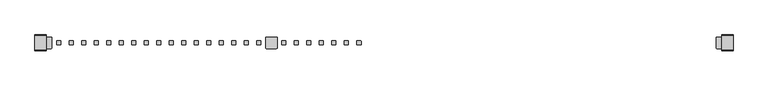
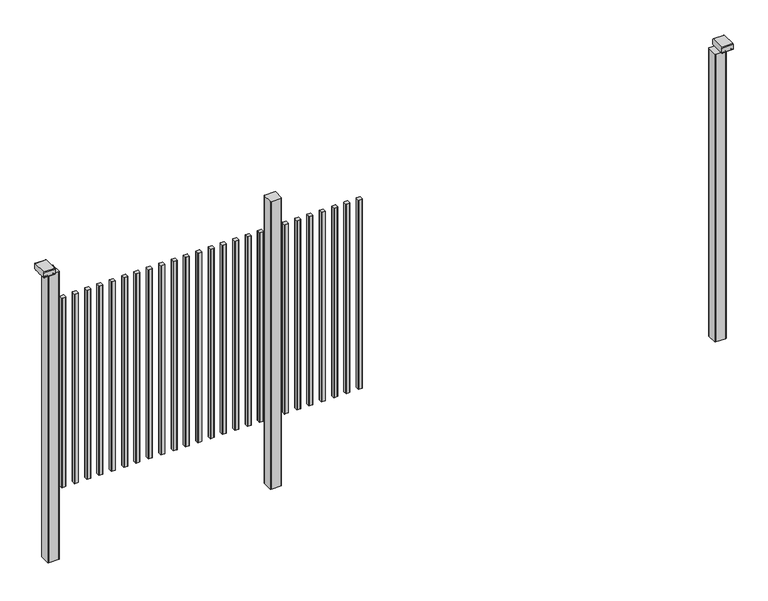
"""IFC4 building model written with IfcOpenShell, lengths in millimetres: railing geometry."""

from ifc_helpers import new_model, si_unit, point, frame, frame_2d, origin, place, context, project, spatial, polyline, circle_curve, trimmed, segment, composite_curve, outline, extrude, source, transform, mapped, element, save


def railing_7267dee2(model_context):
    return source(origin(), model_context, "Body", "SweptSolid", [
        extrude(outline(composite_curve([segment(trimmed(circle_curve(frame_2d((5052.6835799, 7828.4508236)), 1.4), [point((5051.2835799, 7828.4508236))], [point((5052.6835799, 7829.8508236))], False, "CARTESIAN"), True, "CONTINUOUS"), segment(polyline([(5052.6835799, 7829.8508236), (5067.8835829, 7829.8508236)]), True, "CONTINUOUS"), segment(trimmed(circle_curve(frame_2d((5067.8835829, 7828.4508236)), 1.4), [point((5067.8835829, 7829.8508236))], [point((5069.2835829, 7828.4508236))], False, "CARTESIAN"), True, "CONTINUOUS"), segment(polyline([(5069.2835829, 7828.4508236), (5069.2835829, 7813.2507846)]), True, "CONTINUOUS"), segment(trimmed(circle_curve(frame_2d((5067.8835829, 7813.2507846)), 1.4), [point((5069.2835829, 7813.2507846))], [point((5067.8835829, 7811.8507846))], False, "CARTESIAN"), True, "CONTINUOUS"), segment(polyline([(5067.8835829, 7811.8507846), (5052.6835799, 7811.8507846)]), True, "CONTINUOUS"), segment(trimmed(circle_curve(frame_2d((5052.6835799, 7813.2507846)), 1.4), [point((5052.6835799, 7811.8507846))], [point((5051.2835799, 7813.2507846))], False, "CARTESIAN"), True, "CONTINUOUS"), segment(polyline([(5051.2835799, 7813.2507846), (5051.2835799, 7828.4508236)]), True, "CONTINUOUS")], self_intersect=False)), frame((0.0, 0.0, 125.0), z_axis=(0.0, 0.0, 1.0), x_axis=(1.0, 0.0, 0.0)), (0.0, 0.0, 1.0), 900.0),
        extrude(outline(composite_curve([segment(trimmed(circle_curve(frame_2d((4997.1280244, 7828.4508236)), 1.4), [point((4995.7280244, 7828.4508236))], [point((4997.1280244, 7829.8508236))], False, "CARTESIAN"), True, "CONTINUOUS"), segment(polyline([(4997.1280244, 7829.8508236), (5012.3280274, 7829.8508236)]), True, "CONTINUOUS"), segment(trimmed(circle_curve(frame_2d((5012.3280274, 7828.4508236)), 1.4), [point((5012.3280274, 7829.8508236))], [point((5013.7280274, 7828.4508236))], False, "CARTESIAN"), True, "CONTINUOUS"), segment(polyline([(5013.7280274, 7828.4508236), (5013.7280274, 7813.2507846)]), True, "CONTINUOUS"), segment(trimmed(circle_curve(frame_2d((5012.3280274, 7813.2507846)), 1.4), [point((5013.7280274, 7813.2507846))], [point((5012.3280274, 7811.8507846))], False, "CARTESIAN"), True, "CONTINUOUS"), segment(polyline([(5012.3280274, 7811.8507846), (4997.1280244, 7811.8507846)]), True, "CONTINUOUS"), segment(trimmed(circle_curve(frame_2d((4997.1280244, 7813.2507846)), 1.4), [point((4997.1280244, 7811.8507846))], [point((4995.7280244, 7813.2507846))], False, "CARTESIAN"), True, "CONTINUOUS"), segment(polyline([(4995.7280244, 7813.2507846), (4995.7280244, 7828.4508236)]), True, "CONTINUOUS")], self_intersect=False)), frame((0.0, 0.0, 125.0), z_axis=(0.0, 0.0, 1.0), x_axis=(1.0, 0.0, 0.0)), (0.0, 0.0, 1.0), 900.0),
        extrude(outline(composite_curve([segment(trimmed(circle_curve(frame_2d((4941.5724688, 7828.4508236)), 1.4), [point((4940.1724688, 7828.4508236))], [point((4941.5724688, 7829.8508236))], False, "CARTESIAN"), True, "CONTINUOUS"), segment(polyline([(4941.5724688, 7829.8508236), (4956.7724718, 7829.8508236)]), True, "CONTINUOUS"), segment(trimmed(circle_curve(frame_2d((4956.7724718, 7828.4508236)), 1.4), [point((4956.7724718, 7829.8508236))], [point((4958.1724718, 7828.4508236))], False, "CARTESIAN"), True, "CONTINUOUS"), segment(polyline([(4958.1724718, 7828.4508236), (4958.1724718, 7813.2507846)]), True, "CONTINUOUS"), segment(trimmed(circle_curve(frame_2d((4956.7724718, 7813.2507846)), 1.4), [point((4958.1724718, 7813.2507846))], [point((4956.7724718, 7811.8507846))], False, "CARTESIAN"), True, "CONTINUOUS"), segment(polyline([(4956.7724718, 7811.8507846), (4941.5724688, 7811.8507846)]), True, "CONTINUOUS"), segment(trimmed(circle_curve(frame_2d((4941.5724688, 7813.2507846)), 1.4), [point((4941.5724688, 7811.8507846))], [point((4940.1724688, 7813.2507846))], False, "CARTESIAN"), True, "CONTINUOUS"), segment(polyline([(4940.1724688, 7813.2507846), (4940.1724688, 7828.4508236)]), True, "CONTINUOUS")], self_intersect=False)), frame((0.0, 0.0, 125.0), z_axis=(0.0, 0.0, 1.0), x_axis=(1.0, 0.0, 0.0)), (0.0, 0.0, 1.0), 900.0),
        extrude(outline(composite_curve([segment(trimmed(circle_curve(frame_2d((4886.0169133, 7828.4508236)), 1.4), [point((4884.6169133, 7828.4508236))], [point((4886.0169133, 7829.8508236))], False, "CARTESIAN"), True, "CONTINUOUS"), segment(polyline([(4886.0169133, 7829.8508236), (4901.2169163, 7829.8508236)]), True, "CONTINUOUS"), segment(trimmed(circle_curve(frame_2d((4901.2169163, 7828.4508236)), 1.4), [point((4901.2169163, 7829.8508236))], [point((4902.6169163, 7828.4508236))], False, "CARTESIAN"), True, "CONTINUOUS"), segment(polyline([(4902.6169163, 7828.4508236), (4902.6169163, 7813.2507846)]), True, "CONTINUOUS"), segment(trimmed(circle_curve(frame_2d((4901.2169163, 7813.2507846)), 1.4), [point((4902.6169163, 7813.2507846))], [point((4901.2169163, 7811.8507846))], False, "CARTESIAN"), True, "CONTINUOUS"), segment(polyline([(4901.2169163, 7811.8507846), (4886.0169133, 7811.8507846)]), True, "CONTINUOUS"), segment(trimmed(circle_curve(frame_2d((4886.0169133, 7813.2507846)), 1.4), [point((4886.0169133, 7811.8507846))], [point((4884.6169133, 7813.2507846))], False, "CARTESIAN"), True, "CONTINUOUS"), segment(polyline([(4884.6169133, 7813.2507846), (4884.6169133, 7828.4508236)]), True, "CONTINUOUS")], self_intersect=False)), frame((0.0, 0.0, 125.0), z_axis=(0.0, 0.0, 1.0), x_axis=(1.0, 0.0, 0.0)), (0.0, 0.0, 1.0), 900.0),
        extrude(outline(composite_curve([segment(trimmed(circle_curve(frame_2d((4830.4613577, 7828.4508236)), 1.4), [point((4829.0613577, 7828.4508236))], [point((4830.4613577, 7829.8508236))], False, "CARTESIAN"), True, "CONTINUOUS"), segment(polyline([(4830.4613577, 7829.8508236), (4845.6613607, 7829.8508236)]), True, "CONTINUOUS"), segment(trimmed(circle_curve(frame_2d((4845.6613607, 7828.4508236)), 1.4), [point((4845.6613607, 7829.8508236))], [point((4847.0613607, 7828.4508236))], False, "CARTESIAN"), True, "CONTINUOUS"), segment(polyline([(4847.0613607, 7828.4508236), (4847.0613607, 7813.2507846)]), True, "CONTINUOUS"), segment(trimmed(circle_curve(frame_2d((4845.6613607, 7813.2507846)), 1.4), [point((4847.0613607, 7813.2507846))], [point((4845.6613607, 7811.8507846))], False, "CARTESIAN"), True, "CONTINUOUS"), segment(polyline([(4845.6613607, 7811.8507846), (4830.4613577, 7811.8507846)]), True, "CONTINUOUS"), segment(trimmed(circle_curve(frame_2d((4830.4613577, 7813.2507846)), 1.4), [point((4830.4613577, 7811.8507846))], [point((4829.0613577, 7813.2507846))], False, "CARTESIAN"), True, "CONTINUOUS"), segment(polyline([(4829.0613577, 7813.2507846), (4829.0613577, 7828.4508236)]), True, "CONTINUOUS")], self_intersect=False)), frame((0.0, 0.0, 125.0), z_axis=(0.0, 0.0, 1.0), x_axis=(1.0, 0.0, 0.0)), (0.0, 0.0, 1.0), 900.0),
        extrude(outline(composite_curve([segment(trimmed(circle_curve(frame_2d((4774.9058021, 7828.4508236)), 1.4), [point((4773.5058021, 7828.4508236))], [point((4774.9058021, 7829.8508236))], False, "CARTESIAN"), True, "CONTINUOUS"), segment(polyline([(4774.9058021, 7829.8508236), (4790.1058051, 7829.8508236)]), True, "CONTINUOUS"), segment(trimmed(circle_curve(frame_2d((4790.1058051, 7828.4508236)), 1.4), [point((4790.1058051, 7829.8508236))], [point((4791.5058051, 7828.4508236))], False, "CARTESIAN"), True, "CONTINUOUS"), segment(polyline([(4791.5058051, 7828.4508236), (4791.5058051, 7813.2507846)]), True, "CONTINUOUS"), segment(trimmed(circle_curve(frame_2d((4790.1058051, 7813.2507846)), 1.4), [point((4791.5058051, 7813.2507846))], [point((4790.1058051, 7811.8507846))], False, "CARTESIAN"), True, "CONTINUOUS"), segment(polyline([(4790.1058051, 7811.8507846), (4774.9058021, 7811.8507846)]), True, "CONTINUOUS"), segment(trimmed(circle_curve(frame_2d((4774.9058021, 7813.2507846)), 1.4), [point((4774.9058021, 7811.8507846))], [point((4773.5058021, 7813.2507846))], False, "CARTESIAN"), True, "CONTINUOUS"), segment(polyline([(4773.5058021, 7813.2507846), (4773.5058021, 7828.4508236)]), True, "CONTINUOUS")], self_intersect=False)), frame((0.0, 0.0, 125.0), z_axis=(0.0, 0.0, 1.0), x_axis=(1.0, 0.0, 0.0)), (0.0, 0.0, 1.0), 900.0),
        extrude(outline(composite_curve([segment(trimmed(circle_curve(frame_2d((4719.3502466, 7828.4508236)), 1.4), [point((4717.9502466, 7828.4508236))], [point((4719.3502466, 7829.8508236))], False, "CARTESIAN"), True, "CONTINUOUS"), segment(polyline([(4719.3502466, 7829.8508236), (4734.5502496, 7829.8508236)]), True, "CONTINUOUS"), segment(trimmed(circle_curve(frame_2d((4734.5502496, 7828.4508236)), 1.4), [point((4734.5502496, 7829.8508236))], [point((4735.9502496, 7828.4508236))], False, "CARTESIAN"), True, "CONTINUOUS"), segment(polyline([(4735.9502496, 7828.4508236), (4735.9502496, 7813.2507846)]), True, "CONTINUOUS"), segment(trimmed(circle_curve(frame_2d((4734.5502496, 7813.2507846)), 1.4), [point((4735.9502496, 7813.2507846))], [point((4734.5502496, 7811.8507846))], False, "CARTESIAN"), True, "CONTINUOUS"), segment(polyline([(4734.5502496, 7811.8507846), (4719.3502466, 7811.8507846)]), True, "CONTINUOUS"), segment(trimmed(circle_curve(frame_2d((4719.3502466, 7813.2507846)), 1.4), [point((4719.3502466, 7811.8507846))], [point((4717.9502466, 7813.2507846))], False, "CARTESIAN"), True, "CONTINUOUS"), segment(polyline([(4717.9502466, 7813.2507846), (4717.9502466, 7828.4508236)]), True, "CONTINUOUS")], self_intersect=False)), frame((0.0, 0.0, 125.0), z_axis=(0.0, 0.0, 1.0), x_axis=(1.0, 0.0, 0.0)), (0.0, 0.0, 1.0), 900.0),
        extrude(outline(composite_curve([segment(trimmed(circle_curve(frame_2d((4693.7947043, 7843.2508153)), 3.0), [point((4693.794704, 7846.2508153))], [point((4696.7947043, 7843.2508156))], False, "CARTESIAN"), True, "CONTINUOUS"), segment(polyline([(4696.7947043, 7843.2508156), (4696.7947083, 7798.4507926)]), True, "CONTINUOUS"), segment(trimmed(circle_curve(frame_2d((4693.7947083, 7798.4507923)), 3.0), [point((4696.7947083, 7798.4507926))], [point((4693.7947086, 7795.4507923))], False, "CARTESIAN"), True, "CONTINUOUS"), segment(polyline([(4693.7947086, 7795.4507923), (4648.9946856, 7795.4507883)]), True, "CONTINUOUS"), segment(trimmed(circle_curve(frame_2d((4648.9946853, 7798.4507883)), 3.0), [point((4648.9946856, 7795.4507883))], [point((4645.9946853, 7798.450788))], False, "CARTESIAN"), True, "CONTINUOUS"), segment(polyline([(4645.9946853, 7798.450788), (4645.9946813, 7843.250811)]), True, "CONTINUOUS"), segment(trimmed(circle_curve(frame_2d((4648.9946813, 7843.2508113)), 3.0), [point((4645.9946813, 7843.250811))], [point((4648.994681, 7846.2508113))], False, "CARTESIAN"), True, "CONTINUOUS"), segment(polyline([(4648.994681, 7846.2508113), (4693.794704, 7846.2508153)]), True, "CONTINUOUS")], self_intersect=False)), frame((0.0, 0.0, -198.0), z_axis=(0.0, 0.0, 1.0), x_axis=(1.0, 0.0, 0.0)), (0.0, 0.0, 1.0), 1367.8785743),
        extrude(outline(composite_curve([segment(trimmed(circle_curve(frame_2d((4608.2391355, 7828.4508236)), 1.4), [point((4606.8391355, 7828.4508236))], [point((4608.2391355, 7829.8508236))], False, "CARTESIAN"), True, "CONTINUOUS"), segment(polyline([(4608.2391355, 7829.8508236), (4623.4391385, 7829.8508236)]), True, "CONTINUOUS"), segment(trimmed(circle_curve(frame_2d((4623.4391385, 7828.4508236)), 1.4), [point((4623.4391385, 7829.8508236))], [point((4624.8391385, 7828.4508236))], False, "CARTESIAN"), True, "CONTINUOUS"), segment(polyline([(4624.8391385, 7828.4508236), (4624.8391385, 7813.2507846)]), True, "CONTINUOUS"), segment(trimmed(circle_curve(frame_2d((4623.4391385, 7813.2507846)), 1.4), [point((4624.8391385, 7813.2507846))], [point((4623.4391385, 7811.8507846))], False, "CARTESIAN"), True, "CONTINUOUS"), segment(polyline([(4623.4391385, 7811.8507846), (4608.2391355, 7811.8507846)]), True, "CONTINUOUS"), segment(trimmed(circle_curve(frame_2d((4608.2391355, 7813.2507846)), 1.4), [point((4608.2391355, 7811.8507846))], [point((4606.8391355, 7813.2507846))], False, "CARTESIAN"), True, "CONTINUOUS"), segment(polyline([(4606.8391355, 7813.2507846), (4606.8391355, 7828.4508236)]), True, "CONTINUOUS")], self_intersect=False)), frame((0.0, 0.0, 125.0), z_axis=(0.0, 0.0, 1.0), x_axis=(1.0, 0.0, 0.0)), (0.0, 0.0, 1.0), 900.0),
        extrude(outline(composite_curve([segment(trimmed(circle_curve(frame_2d((4552.6835799, 7828.4508236)), 1.4), [point((4551.2835799, 7828.4508236))], [point((4552.6835799, 7829.8508236))], False, "CARTESIAN"), True, "CONTINUOUS"), segment(polyline([(4552.6835799, 7829.8508236), (4567.8835829, 7829.8508236)]), True, "CONTINUOUS"), segment(trimmed(circle_curve(frame_2d((4567.8835829, 7828.4508236)), 1.4), [point((4567.8835829, 7829.8508236))], [point((4569.2835829, 7828.4508236))], False, "CARTESIAN"), True, "CONTINUOUS"), segment(polyline([(4569.2835829, 7828.4508236), (4569.2835829, 7813.2507846)]), True, "CONTINUOUS"), segment(trimmed(circle_curve(frame_2d((4567.8835829, 7813.2507846)), 1.4), [point((4569.2835829, 7813.2507846))], [point((4567.8835829, 7811.8507846))], False, "CARTESIAN"), True, "CONTINUOUS"), segment(polyline([(4567.8835829, 7811.8507846), (4552.6835799, 7811.8507846)]), True, "CONTINUOUS"), segment(trimmed(circle_curve(frame_2d((4552.6835799, 7813.2507846)), 1.4), [point((4552.6835799, 7811.8507846))], [point((4551.2835799, 7813.2507846))], False, "CARTESIAN"), True, "CONTINUOUS"), segment(polyline([(4551.2835799, 7813.2507846), (4551.2835799, 7828.4508236)]), True, "CONTINUOUS")], self_intersect=False)), frame((0.0, 0.0, 125.0), z_axis=(0.0, 0.0, 1.0), x_axis=(1.0, 0.0, 0.0)), (0.0, 0.0, 1.0), 900.0),
        extrude(outline(composite_curve([segment(trimmed(circle_curve(frame_2d((4497.1280244, 7828.4508236)), 1.4), [point((4495.7280244, 7828.4508236))], [point((4497.1280244, 7829.8508236))], False, "CARTESIAN"), True, "CONTINUOUS"), segment(polyline([(4497.1280244, 7829.8508236), (4512.3280274, 7829.8508236)]), True, "CONTINUOUS"), segment(trimmed(circle_curve(frame_2d((4512.3280274, 7828.4508236)), 1.4), [point((4512.3280274, 7829.8508236))], [point((4513.7280274, 7828.4508236))], False, "CARTESIAN"), True, "CONTINUOUS"), segment(polyline([(4513.7280274, 7828.4508236), (4513.7280274, 7813.2507846)]), True, "CONTINUOUS"), segment(trimmed(circle_curve(frame_2d((4512.3280274, 7813.2507846)), 1.4), [point((4513.7280274, 7813.2507846))], [point((4512.3280274, 7811.8507846))], False, "CARTESIAN"), True, "CONTINUOUS"), segment(polyline([(4512.3280274, 7811.8507846), (4497.1280244, 7811.8507846)]), True, "CONTINUOUS"), segment(trimmed(circle_curve(frame_2d((4497.1280244, 7813.2507846)), 1.4), [point((4497.1280244, 7811.8507846))], [point((4495.7280244, 7813.2507846))], False, "CARTESIAN"), True, "CONTINUOUS"), segment(polyline([(4495.7280244, 7813.2507846), (4495.7280244, 7828.4508236)]), True, "CONTINUOUS")], self_intersect=False)), frame((0.0, 0.0, 125.0), z_axis=(0.0, 0.0, 1.0), x_axis=(1.0, 0.0, 0.0)), (0.0, 0.0, 1.0), 900.0),
        extrude(outline(composite_curve([segment(trimmed(circle_curve(frame_2d((4441.5724688, 7828.4508236)), 1.4), [point((4440.1724688, 7828.4508236))], [point((4441.5724688, 7829.8508236))], False, "CARTESIAN"), True, "CONTINUOUS"), segment(polyline([(4441.5724688, 7829.8508236), (4456.7724718, 7829.8508236)]), True, "CONTINUOUS"), segment(trimmed(circle_curve(frame_2d((4456.7724718, 7828.4508236)), 1.4), [point((4456.7724718, 7829.8508236))], [point((4458.1724718, 7828.4508236))], False, "CARTESIAN"), True, "CONTINUOUS"), segment(polyline([(4458.1724718, 7828.4508236), (4458.1724718, 7813.2507846)]), True, "CONTINUOUS"), segment(trimmed(circle_curve(frame_2d((4456.7724718, 7813.2507846)), 1.4), [point((4458.1724718, 7813.2507846))], [point((4456.7724718, 7811.8507846))], False, "CARTESIAN"), True, "CONTINUOUS"), segment(polyline([(4456.7724718, 7811.8507846), (4441.5724688, 7811.8507846)]), True, "CONTINUOUS"), segment(trimmed(circle_curve(frame_2d((4441.5724688, 7813.2507846)), 1.4), [point((4441.5724688, 7811.8507846))], [point((4440.1724688, 7813.2507846))], False, "CARTESIAN"), True, "CONTINUOUS"), segment(polyline([(4440.1724688, 7813.2507846), (4440.1724688, 7828.4508236)]), True, "CONTINUOUS")], self_intersect=False)), frame((0.0, 0.0, 125.0), z_axis=(0.0, 0.0, 1.0), x_axis=(1.0, 0.0, 0.0)), (0.0, 0.0, 1.0), 900.0),
        extrude(outline(composite_curve([segment(trimmed(circle_curve(frame_2d((4386.0169133, 7828.4508236)), 1.4), [point((4384.6169133, 7828.4508236))], [point((4386.0169133, 7829.8508236))], False, "CARTESIAN"), True, "CONTINUOUS"), segment(polyline([(4386.0169133, 7829.8508236), (4401.2169163, 7829.8508236)]), True, "CONTINUOUS"), segment(trimmed(circle_curve(frame_2d((4401.2169163, 7828.4508236)), 1.4), [point((4401.2169163, 7829.8508236))], [point((4402.6169163, 7828.4508236))], False, "CARTESIAN"), True, "CONTINUOUS"), segment(polyline([(4402.6169163, 7828.4508236), (4402.6169163, 7813.2507846)]), True, "CONTINUOUS"), segment(trimmed(circle_curve(frame_2d((4401.2169163, 7813.2507846)), 1.4), [point((4402.6169163, 7813.2507846))], [point((4401.2169163, 7811.8507846))], False, "CARTESIAN"), True, "CONTINUOUS"), segment(polyline([(4401.2169163, 7811.8507846), (4386.0169133, 7811.8507846)]), True, "CONTINUOUS"), segment(trimmed(circle_curve(frame_2d((4386.0169133, 7813.2507846)), 1.4), [point((4386.0169133, 7811.8507846))], [point((4384.6169133, 7813.2507846))], False, "CARTESIAN"), True, "CONTINUOUS"), segment(polyline([(4384.6169133, 7813.2507846), (4384.6169133, 7828.4508236)]), True, "CONTINUOUS")], self_intersect=False)), frame((0.0, 0.0, 125.0), z_axis=(0.0, 0.0, 1.0), x_axis=(1.0, 0.0, 0.0)), (0.0, 0.0, 1.0), 900.0),
        extrude(outline(composite_curve([segment(trimmed(circle_curve(frame_2d((4330.4613577, 7828.4508236)), 1.4), [point((4329.0613577, 7828.4508236))], [point((4330.4613577, 7829.8508236))], False, "CARTESIAN"), True, "CONTINUOUS"), segment(polyline([(4330.4613577, 7829.8508236), (4345.6613607, 7829.8508236)]), True, "CONTINUOUS"), segment(trimmed(circle_curve(frame_2d((4345.6613607, 7828.4508236)), 1.4), [point((4345.6613607, 7829.8508236))], [point((4347.0613607, 7828.4508236))], False, "CARTESIAN"), True, "CONTINUOUS"), segment(polyline([(4347.0613607, 7828.4508236), (4347.0613607, 7813.2507846)]), True, "CONTINUOUS"), segment(trimmed(circle_curve(frame_2d((4345.6613607, 7813.2507846)), 1.4), [point((4347.0613607, 7813.2507846))], [point((4345.6613607, 7811.8507846))], False, "CARTESIAN"), True, "CONTINUOUS"), segment(polyline([(4345.6613607, 7811.8507846), (4330.4613577, 7811.8507846)]), True, "CONTINUOUS"), segment(trimmed(circle_curve(frame_2d((4330.4613577, 7813.2507846)), 1.4), [point((4330.4613577, 7811.8507846))], [point((4329.0613577, 7813.2507846))], False, "CARTESIAN"), True, "CONTINUOUS"), segment(polyline([(4329.0613577, 7813.2507846), (4329.0613577, 7828.4508236)]), True, "CONTINUOUS")], self_intersect=False)), frame((0.0, 0.0, 125.0), z_axis=(0.0, 0.0, 1.0), x_axis=(1.0, 0.0, 0.0)), (0.0, 0.0, 1.0), 900.0),
        extrude(outline(composite_curve([segment(trimmed(circle_curve(frame_2d((4274.9058021, 7828.4508236)), 1.4), [point((4273.5058021, 7828.4508236))], [point((4274.9058021, 7829.8508236))], False, "CARTESIAN"), True, "CONTINUOUS"), segment(polyline([(4274.9058021, 7829.8508236), (4290.1058051, 7829.8508236)]), True, "CONTINUOUS"), segment(trimmed(circle_curve(frame_2d((4290.1058051, 7828.4508236)), 1.4), [point((4290.1058051, 7829.8508236))], [point((4291.5058051, 7828.4508236))], False, "CARTESIAN"), True, "CONTINUOUS"), segment(polyline([(4291.5058051, 7828.4508236), (4291.5058051, 7813.2507846)]), True, "CONTINUOUS"), segment(trimmed(circle_curve(frame_2d((4290.1058051, 7813.2507846)), 1.4), [point((4291.5058051, 7813.2507846))], [point((4290.1058051, 7811.8507846))], False, "CARTESIAN"), True, "CONTINUOUS"), segment(polyline([(4290.1058051, 7811.8507846), (4274.9058021, 7811.8507846)]), True, "CONTINUOUS"), segment(trimmed(circle_curve(frame_2d((4274.9058021, 7813.2507846)), 1.4), [point((4274.9058021, 7811.8507846))], [point((4273.5058021, 7813.2507846))], False, "CARTESIAN"), True, "CONTINUOUS"), segment(polyline([(4273.5058021, 7813.2507846), (4273.5058021, 7828.4508236)]), True, "CONTINUOUS")], self_intersect=False)), frame((0.0, 0.0, 125.0), z_axis=(0.0, 0.0, 1.0), x_axis=(1.0, 0.0, 0.0)), (0.0, 0.0, 1.0), 900.0),
        extrude(outline(composite_curve([segment(trimmed(circle_curve(frame_2d((4219.3502466, 7828.4508236)), 1.4), [point((4217.9502466, 7828.4508236))], [point((4219.3502466, 7829.8508236))], False, "CARTESIAN"), True, "CONTINUOUS"), segment(polyline([(4219.3502466, 7829.8508236), (4234.5502496, 7829.8508236)]), True, "CONTINUOUS"), segment(trimmed(circle_curve(frame_2d((4234.5502496, 7828.4508236)), 1.4), [point((4234.5502496, 7829.8508236))], [point((4235.9502496, 7828.4508236))], False, "CARTESIAN"), True, "CONTINUOUS"), segment(polyline([(4235.9502496, 7828.4508236), (4235.9502496, 7813.2507846)]), True, "CONTINUOUS"), segment(trimmed(circle_curve(frame_2d((4234.5502496, 7813.2507846)), 1.4), [point((4235.9502496, 7813.2507846))], [point((4234.5502496, 7811.8507846))], False, "CARTESIAN"), True, "CONTINUOUS"), segment(polyline([(4234.5502496, 7811.8507846), (4219.3502466, 7811.8507846)]), True, "CONTINUOUS"), segment(trimmed(circle_curve(frame_2d((4219.3502466, 7813.2507846)), 1.4), [point((4219.3502466, 7811.8507846))], [point((4217.9502466, 7813.2507846))], False, "CARTESIAN"), True, "CONTINUOUS"), segment(polyline([(4217.9502466, 7813.2507846), (4217.9502466, 7828.4508236)]), True, "CONTINUOUS")], self_intersect=False)), frame((0.0, 0.0, 125.0), z_axis=(0.0, 0.0, 1.0), x_axis=(1.0, 0.0, 0.0)), (0.0, 0.0, 1.0), 900.0),
        extrude(outline(composite_curve([segment(trimmed(circle_curve(frame_2d((4163.794691, 7828.4508236)), 1.4), [point((4162.394691, 7828.4508236))], [point((4163.794691, 7829.8508236))], False, "CARTESIAN"), True, "CONTINUOUS"), segment(polyline([(4163.794691, 7829.8508236), (4178.994694, 7829.8508236)]), True, "CONTINUOUS"), segment(trimmed(circle_curve(frame_2d((4178.994694, 7828.4508236)), 1.4), [point((4178.994694, 7829.8508236))], [point((4180.394694, 7828.4508236))], False, "CARTESIAN"), True, "CONTINUOUS"), segment(polyline([(4180.394694, 7828.4508236), (4180.394694, 7813.2507846)]), True, "CONTINUOUS"), segment(trimmed(circle_curve(frame_2d((4178.994694, 7813.2507846)), 1.4), [point((4180.394694, 7813.2507846))], [point((4178.994694, 7811.8507846))], False, "CARTESIAN"), True, "CONTINUOUS"), segment(polyline([(4178.994694, 7811.8507846), (4163.794691, 7811.8507846)]), True, "CONTINUOUS"), segment(trimmed(circle_curve(frame_2d((4163.794691, 7813.2507846)), 1.4), [point((4163.794691, 7811.8507846))], [point((4162.394691, 7813.2507846))], False, "CARTESIAN"), True, "CONTINUOUS"), segment(polyline([(4162.394691, 7813.2507846), (4162.394691, 7828.4508236)]), True, "CONTINUOUS")], self_intersect=False)), frame((0.0, 0.0, 125.0), z_axis=(0.0, 0.0, 1.0), x_axis=(1.0, 0.0, 0.0)), (0.0, 0.0, 1.0), 900.0),
        extrude(outline(composite_curve([segment(trimmed(circle_curve(frame_2d((4108.2391355, 7828.4508236)), 1.4), [point((4106.8391355, 7828.4508236))], [point((4108.2391355, 7829.8508236))], False, "CARTESIAN"), True, "CONTINUOUS"), segment(polyline([(4108.2391355, 7829.8508236), (4123.4391385, 7829.8508236)]), True, "CONTINUOUS"), segment(trimmed(circle_curve(frame_2d((4123.4391385, 7828.4508236)), 1.4), [point((4123.4391385, 7829.8508236))], [point((4124.8391385, 7828.4508236))], False, "CARTESIAN"), True, "CONTINUOUS"), segment(polyline([(4124.8391385, 7828.4508236), (4124.8391385, 7813.2507846)]), True, "CONTINUOUS"), segment(trimmed(circle_curve(frame_2d((4123.4391385, 7813.2507846)), 1.4), [point((4124.8391385, 7813.2507846))], [point((4123.4391385, 7811.8507846))], False, "CARTESIAN"), True, "CONTINUOUS"), segment(polyline([(4123.4391385, 7811.8507846), (4108.2391355, 7811.8507846)]), True, "CONTINUOUS"), segment(trimmed(circle_curve(frame_2d((4108.2391355, 7813.2507846)), 1.4), [point((4108.2391355, 7811.8507846))], [point((4106.8391355, 7813.2507846))], False, "CARTESIAN"), True, "CONTINUOUS"), segment(polyline([(4106.8391355, 7813.2507846), (4106.8391355, 7828.4508236)]), True, "CONTINUOUS")], self_intersect=False)), frame((0.0, 0.0, 125.0), z_axis=(0.0, 0.0, 1.0), x_axis=(1.0, 0.0, 0.0)), (0.0, 0.0, 1.0), 900.0),
        extrude(outline(composite_curve([segment(trimmed(circle_curve(frame_2d((4052.6835799, 7828.4508236)), 1.4), [point((4051.2835799, 7828.4508236))], [point((4052.6835799, 7829.8508236))], False, "CARTESIAN"), True, "CONTINUOUS"), segment(polyline([(4052.6835799, 7829.8508236), (4067.8835829, 7829.8508236)]), True, "CONTINUOUS"), segment(trimmed(circle_curve(frame_2d((4067.8835829, 7828.4508236)), 1.4), [point((4067.8835829, 7829.8508236))], [point((4069.2835829, 7828.4508236))], False, "CARTESIAN"), True, "CONTINUOUS"), segment(polyline([(4069.2835829, 7828.4508236), (4069.2835829, 7813.2507846)]), True, "CONTINUOUS"), segment(trimmed(circle_curve(frame_2d((4067.8835829, 7813.2507846)), 1.4), [point((4069.2835829, 7813.2507846))], [point((4067.8835829, 7811.8507846))], False, "CARTESIAN"), True, "CONTINUOUS"), segment(polyline([(4067.8835829, 7811.8507846), (4052.6835799, 7811.8507846)]), True, "CONTINUOUS"), segment(trimmed(circle_curve(frame_2d((4052.6835799, 7813.2507846)), 1.4), [point((4052.6835799, 7811.8507846))], [point((4051.2835799, 7813.2507846))], False, "CARTESIAN"), True, "CONTINUOUS"), segment(polyline([(4051.2835799, 7813.2507846), (4051.2835799, 7828.4508236)]), True, "CONTINUOUS")], self_intersect=False)), frame((0.0, 0.0, 125.0), z_axis=(0.0, 0.0, 1.0), x_axis=(1.0, 0.0, 0.0)), (0.0, 0.0, 1.0), 900.0),
        extrude(outline(composite_curve([segment(trimmed(circle_curve(frame_2d((3997.1280244, 7828.4508236)), 1.4), [point((3995.7280244, 7828.4508236))], [point((3997.1280244, 7829.8508236))], False, "CARTESIAN"), True, "CONTINUOUS"), segment(polyline([(3997.1280244, 7829.8508236), (4012.3280274, 7829.8508236)]), True, "CONTINUOUS"), segment(trimmed(circle_curve(frame_2d((4012.3280274, 7828.4508236)), 1.4), [point((4012.3280274, 7829.8508236))], [point((4013.7280274, 7828.4508236))], False, "CARTESIAN"), True, "CONTINUOUS"), segment(polyline([(4013.7280274, 7828.4508236), (4013.7280274, 7813.2507846)]), True, "CONTINUOUS"), segment(trimmed(circle_curve(frame_2d((4012.3280274, 7813.2507846)), 1.4), [point((4013.7280274, 7813.2507846))], [point((4012.3280274, 7811.8507846))], False, "CARTESIAN"), True, "CONTINUOUS"), segment(polyline([(4012.3280274, 7811.8507846), (3997.1280244, 7811.8507846)]), True, "CONTINUOUS"), segment(trimmed(circle_curve(frame_2d((3997.1280244, 7813.2507846)), 1.4), [point((3997.1280244, 7811.8507846))], [point((3995.7280244, 7813.2507846))], False, "CARTESIAN"), True, "CONTINUOUS"), segment(polyline([(3995.7280244, 7813.2507846), (3995.7280244, 7828.4508236)]), True, "CONTINUOUS")], self_intersect=False)), frame((0.0, 0.0, 125.0), z_axis=(0.0, 0.0, 1.0), x_axis=(1.0, 0.0, 0.0)), (0.0, 0.0, 1.0), 900.0),
        extrude(outline(composite_curve([segment(trimmed(circle_curve(frame_2d((3941.5724688, 7828.4508236)), 1.4), [point((3940.1724688, 7828.4508236))], [point((3941.5724688, 7829.8508236))], False, "CARTESIAN"), True, "CONTINUOUS"), segment(polyline([(3941.5724688, 7829.8508236), (3956.7724718, 7829.8508236)]), True, "CONTINUOUS"), segment(trimmed(circle_curve(frame_2d((3956.7724718, 7828.4508236)), 1.4), [point((3956.7724718, 7829.8508236))], [point((3958.1724718, 7828.4508236))], False, "CARTESIAN"), True, "CONTINUOUS"), segment(polyline([(3958.1724718, 7828.4508236), (3958.1724718, 7813.2507846)]), True, "CONTINUOUS"), segment(trimmed(circle_curve(frame_2d((3956.7724718, 7813.2507846)), 1.4), [point((3958.1724718, 7813.2507846))], [point((3956.7724718, 7811.8507846))], False, "CARTESIAN"), True, "CONTINUOUS"), segment(polyline([(3956.7724718, 7811.8507846), (3941.5724688, 7811.8507846)]), True, "CONTINUOUS"), segment(trimmed(circle_curve(frame_2d((3941.5724688, 7813.2507846)), 1.4), [point((3941.5724688, 7811.8507846))], [point((3940.1724688, 7813.2507846))], False, "CARTESIAN"), True, "CONTINUOUS"), segment(polyline([(3940.1724688, 7813.2507846), (3940.1724688, 7828.4508236)]), True, "CONTINUOUS")], self_intersect=False)), frame((0.0, 0.0, 125.0), z_axis=(0.0, 0.0, 1.0), x_axis=(1.0, 0.0, 0.0)), (0.0, 0.0, 1.0), 900.0),
        extrude(outline(composite_curve([segment(trimmed(circle_curve(frame_2d((3886.0169133, 7828.4508236)), 1.4), [point((3884.6169133, 7828.4508236))], [point((3886.0169133, 7829.8508236))], False, "CARTESIAN"), True, "CONTINUOUS"), segment(polyline([(3886.0169133, 7829.8508236), (3901.2169163, 7829.8508236)]), True, "CONTINUOUS"), segment(trimmed(circle_curve(frame_2d((3901.2169163, 7828.4508236)), 1.4), [point((3901.2169163, 7829.8508236))], [point((3902.6169163, 7828.4508236))], False, "CARTESIAN"), True, "CONTINUOUS"), segment(polyline([(3902.6169163, 7828.4508236), (3902.6169163, 7813.2507846)]), True, "CONTINUOUS"), segment(trimmed(circle_curve(frame_2d((3901.2169163, 7813.2507846)), 1.4), [point((3902.6169163, 7813.2507846))], [point((3901.2169163, 7811.8507846))], False, "CARTESIAN"), True, "CONTINUOUS"), segment(polyline([(3901.2169163, 7811.8507846), (3886.0169133, 7811.8507846)]), True, "CONTINUOUS"), segment(trimmed(circle_curve(frame_2d((3886.0169133, 7813.2507846)), 1.4), [point((3886.0169133, 7811.8507846))], [point((3884.6169133, 7813.2507846))], False, "CARTESIAN"), True, "CONTINUOUS"), segment(polyline([(3884.6169133, 7813.2507846), (3884.6169133, 7828.4508236)]), True, "CONTINUOUS")], self_intersect=False)), frame((0.0, 0.0, 125.0), z_axis=(0.0, 0.0, 1.0), x_axis=(1.0, 0.0, 0.0)), (0.0, 0.0, 1.0), 900.0),
        extrude(outline(composite_curve([segment(trimmed(circle_curve(frame_2d((3830.4613577, 7828.4508236)), 1.4), [point((3829.0613577, 7828.4508236))], [point((3830.4613577, 7829.8508236))], False, "CARTESIAN"), True, "CONTINUOUS"), segment(polyline([(3830.4613577, 7829.8508236), (3845.6613607, 7829.8508236)]), True, "CONTINUOUS"), segment(trimmed(circle_curve(frame_2d((3845.6613607, 7828.4508236)), 1.4), [point((3845.6613607, 7829.8508236))], [point((3847.0613607, 7828.4508236))], False, "CARTESIAN"), True, "CONTINUOUS"), segment(polyline([(3847.0613607, 7828.4508236), (3847.0613607, 7813.2507846)]), True, "CONTINUOUS"), segment(trimmed(circle_curve(frame_2d((3845.6613607, 7813.2507846)), 1.4), [point((3847.0613607, 7813.2507846))], [point((3845.6613607, 7811.8507846))], False, "CARTESIAN"), True, "CONTINUOUS"), segment(polyline([(3845.6613607, 7811.8507846), (3830.4613577, 7811.8507846)]), True, "CONTINUOUS"), segment(trimmed(circle_curve(frame_2d((3830.4613577, 7813.2507846)), 1.4), [point((3830.4613577, 7811.8507846))], [point((3829.0613577, 7813.2507846))], False, "CARTESIAN"), True, "CONTINUOUS"), segment(polyline([(3829.0613577, 7813.2507846), (3829.0613577, 7828.4508236)]), True, "CONTINUOUS")], self_intersect=False)), frame((0.0, 0.0, 125.0), z_axis=(0.0, 0.0, 1.0), x_axis=(1.0, 0.0, 0.0)), (0.0, 0.0, 1.0), 900.0),
        extrude(outline(composite_curve([segment(trimmed(circle_curve(frame_2d((3774.9058021, 7828.4508236)), 1.4), [point((3773.5058021, 7828.4508236))], [point((3774.9058021, 7829.8508236))], False, "CARTESIAN"), True, "CONTINUOUS"), segment(polyline([(3774.9058021, 7829.8508236), (3790.1058051, 7829.8508236)]), True, "CONTINUOUS"), segment(trimmed(circle_curve(frame_2d((3790.1058051, 7828.4508236)), 1.4), [point((3790.1058051, 7829.8508236))], [point((3791.5058051, 7828.4508236))], False, "CARTESIAN"), True, "CONTINUOUS"), segment(polyline([(3791.5058051, 7828.4508236), (3791.5058051, 7813.2507846)]), True, "CONTINUOUS"), segment(trimmed(circle_curve(frame_2d((3790.1058051, 7813.2507846)), 1.4), [point((3791.5058051, 7813.2507846))], [point((3790.1058051, 7811.8507846))], False, "CARTESIAN"), True, "CONTINUOUS"), segment(polyline([(3790.1058051, 7811.8507846), (3774.9058021, 7811.8507846)]), True, "CONTINUOUS"), segment(trimmed(circle_curve(frame_2d((3774.9058021, 7813.2507846)), 1.4), [point((3774.9058021, 7811.8507846))], [point((3773.5058021, 7813.2507846))], False, "CARTESIAN"), True, "CONTINUOUS"), segment(polyline([(3773.5058021, 7813.2507846), (3773.5058021, 7828.4508236)]), True, "CONTINUOUS")], self_intersect=False)), frame((0.0, 0.0, 125.0), z_axis=(0.0, 0.0, 1.0), x_axis=(1.0, 0.0, 0.0)), (0.0, 0.0, 1.0), 900.0),
        extrude(outline(composite_curve([segment(trimmed(circle_curve(frame_2d((3719.3502466, 7828.4508236)), 1.4), [point((3717.9502466, 7828.4508236))], [point((3719.3502466, 7829.8508236))], False, "CARTESIAN"), True, "CONTINUOUS"), segment(polyline([(3719.3502466, 7829.8508236), (3734.5502496, 7829.8508236)]), True, "CONTINUOUS"), segment(trimmed(circle_curve(frame_2d((3734.5502496, 7828.4508236)), 1.4), [point((3734.5502496, 7829.8508236))], [point((3735.9502496, 7828.4508236))], False, "CARTESIAN"), True, "CONTINUOUS"), segment(polyline([(3735.9502496, 7828.4508236), (3735.9502496, 7813.2507846)]), True, "CONTINUOUS"), segment(trimmed(circle_curve(frame_2d((3734.5502496, 7813.2507846)), 1.4), [point((3735.9502496, 7813.2507846))], [point((3734.5502496, 7811.8507846))], False, "CARTESIAN"), True, "CONTINUOUS"), segment(polyline([(3734.5502496, 7811.8507846), (3719.3502466, 7811.8507846)]), True, "CONTINUOUS"), segment(trimmed(circle_curve(frame_2d((3719.3502466, 7813.2507846)), 1.4), [point((3719.3502466, 7811.8507846))], [point((3717.9502466, 7813.2507846))], False, "CARTESIAN"), True, "CONTINUOUS"), segment(polyline([(3717.9502466, 7813.2507846), (3717.9502466, 7828.4508236)]), True, "CONTINUOUS")], self_intersect=False)), frame((0.0, 0.0, 125.0), z_axis=(0.0, 0.0, 1.0), x_axis=(1.0, 0.0, 0.0)), (0.0, 0.0, 1.0), 900.0),
        extrude(outline(composite_curve([segment(trimmed(circle_curve(frame_2d((6693.7947043, 7843.2508153)), 3.0), [point((6693.794704, 7846.2508153))], [point((6696.7947043, 7843.2508156))], False, "CARTESIAN"), True, "CONTINUOUS"), segment(polyline([(6696.7947043, 7843.2508156), (6696.7947083, 7798.4507926)]), True, "CONTINUOUS"), segment(trimmed(circle_curve(frame_2d((6693.7947083, 7798.4507923)), 3.0), [point((6696.7947083, 7798.4507926))], [point((6693.7947086, 7795.4507923))], False, "CARTESIAN"), True, "CONTINUOUS"), segment(polyline([(6693.7947086, 7795.4507923), (6648.9946856, 7795.4507883)]), True, "CONTINUOUS"), segment(trimmed(circle_curve(frame_2d((6648.9946853, 7798.4507883)), 3.0), [point((6648.9946856, 7795.4507883))], [point((6645.9946853, 7798.450788))], False, "CARTESIAN"), True, "CONTINUOUS"), segment(polyline([(6645.9946853, 7798.450788), (6645.9946813, 7843.250811)]), True, "CONTINUOUS"), segment(trimmed(circle_curve(frame_2d((6648.9946813, 7843.2508113)), 3.0), [point((6645.9946813, 7843.250811))], [point((6648.994681, 7846.2508113))], False, "CARTESIAN"), True, "CONTINUOUS"), segment(polyline([(6648.994681, 7846.2508113), (6693.794704, 7846.2508153)]), True, "CONTINUOUS")], self_intersect=False)), frame((0.0, 0.0, -198.0), z_axis=(0.0, 0.0, 1.0), x_axis=(1.0, 0.0, 0.0)), (0.0, 0.0, 1.0), 1367.8785743),
        extrude(outline(composite_curve([segment(trimmed(circle_curve(frame_2d((7852.8460333, 1197.0)), 3.0), [point((7852.8460333, 1200.0))], [point((7855.8460333, 1197.0))], False, "CARTESIAN"), True, "CONTINUOUS"), segment(polyline([(7855.8460333, 1197.0), (7855.8460333, 1174.8)]), True, "CONTINUOUS"), segment(trimmed(circle_curve(frame_2d((7852.8460333, 1174.8)), 3.0), [point((7855.8460333, 1174.8))], [point((7852.8460333, 1171.8))], False, "CARTESIAN"), True, "CONTINUOUS"), segment(polyline([(7852.8460333, 1171.8), (7847.9961193, 1171.8)]), True, "CONTINUOUS"), segment(trimmed(circle_curve(frame_2d((7847.9961193, 1172.7286632)), 0.9286632), [point((7847.9961193, 1171.8))], [point((7847.0960471, 1172.5000033))], False, "CARTESIAN"), True, "CONTINUOUS"), segment(trimmed(circle_curve(frame_2d((7846.5960471, 1172.5000003)), 0.5), [point((7847.0960471, 1172.5000033))], [point((7846.5960471, 1172.0000003))], False, "CARTESIAN"), True, "CONTINUOUS"), segment(polyline([(7846.5960471, 1172.0000003), (7829.5751393, 1172.0000003)]), True, "CONTINUOUS"), segment(trimmed(circle_curve(frame_2d((7820.8508208, 1188.8785723)), 18.999998), [point((7829.5751393, 1172.0000003))], [point((7812.1265024, 1172.0000003))], False, "CARTESIAN"), True, "CONTINUOUS"), segment(polyline([(7812.1265024, 1172.0000003), (7795.0960436, 1172.0000003)]), True, "CONTINUOUS"), segment(trimmed(circle_curve(frame_2d((7795.0960436, 1172.5000003)), 0.5), [point((7795.0960436, 1172.0000003))], [point((7794.5960436, 1172.5000033))], False, "CARTESIAN"), True, "CONTINUOUS"), segment(trimmed(circle_curve(frame_2d((7793.6961402, 1172.7284461)), 0.9284461), [point((7794.5960436, 1172.5000033))], [point((7793.6961402, 1171.8))], False, "CARTESIAN"), True, "CONTINUOUS"), segment(polyline([(7793.6961402, 1171.8), (7788.8460333, 1171.8)]), True, "CONTINUOUS"), segment(trimmed(circle_curve(frame_2d((7788.8460333, 1174.8)), 3.0), [point((7788.8460333, 1171.8))], [point((7785.8460333, 1174.8))], False, "CARTESIAN"), True, "CONTINUOUS"), segment(polyline([(7785.8460333, 1174.8), (7785.8460333, 1197.0)]), True, "CONTINUOUS"), segment(trimmed(circle_curve(frame_2d((7788.8460333, 1197.0)), 3.0), [point((7785.8460333, 1197.0))], [point((7788.8460333, 1200.0))], False, "CARTESIAN"), True, "CONTINUOUS"), segment(polyline([(7788.8460333, 1200.0), (7852.8460333, 1200.0)]), True, "CONTINUOUS")], self_intersect=False)), frame((6671.3946838, 0.0, 0.0), z_axis=(1.0, 0.0, 0.0), x_axis=(0.0, 1.0, 0.0)), (0.0, 0.0, 1.0), 50.0),
        extrude(outline(composite_curve([segment(trimmed(circle_curve(frame_2d((3693.7947043, 7843.2508153)), 3.0), [point((3693.794704, 7846.2508153))], [point((3696.7947043, 7843.2508156))], False, "CARTESIAN"), True, "CONTINUOUS"), segment(polyline([(3696.7947043, 7843.2508156), (3696.7947083, 7798.4507926)]), True, "CONTINUOUS"), segment(trimmed(circle_curve(frame_2d((3693.7947083, 7798.4507923)), 3.0), [point((3696.7947083, 7798.4507926))], [point((3693.7947086, 7795.4507923))], False, "CARTESIAN"), True, "CONTINUOUS"), segment(polyline([(3693.7947086, 7795.4507923), (3648.9946856, 7795.4507883)]), True, "CONTINUOUS"), segment(trimmed(circle_curve(frame_2d((3648.9946853, 7798.4507883)), 3.0), [point((3648.9946856, 7795.4507883))], [point((3645.9946853, 7798.450788))], False, "CARTESIAN"), True, "CONTINUOUS"), segment(polyline([(3645.9946853, 7798.450788), (3645.9946813, 7843.250811)]), True, "CONTINUOUS"), segment(trimmed(circle_curve(frame_2d((3648.9946813, 7843.2508113)), 3.0), [point((3645.9946813, 7843.250811))], [point((3648.994681, 7846.2508113))], False, "CARTESIAN"), True, "CONTINUOUS"), segment(polyline([(3648.994681, 7846.2508113), (3693.794704, 7846.2508153)]), True, "CONTINUOUS")], self_intersect=False)), frame((0.0, 0.0, -198.0), z_axis=(0.0, 0.0, 1.0), x_axis=(1.0, 0.0, 0.0)), (0.0, 0.0, 1.0), 1367.8785743),
        extrude(outline(composite_curve([segment(trimmed(circle_curve(frame_2d((7852.8460333, 1197.0)), 3.0), [point((7852.8460333, 1200.0))], [point((7855.8460333, 1197.0))], False, "CARTESIAN"), True, "CONTINUOUS"), segment(polyline([(7855.8460333, 1197.0), (7855.8460333, 1174.8)]), True, "CONTINUOUS"), segment(trimmed(circle_curve(frame_2d((7852.8460333, 1174.8)), 3.0), [point((7855.8460333, 1174.8))], [point((7852.8460333, 1171.8))], False, "CARTESIAN"), True, "CONTINUOUS"), segment(polyline([(7852.8460333, 1171.8), (7847.9961193, 1171.8)]), True, "CONTINUOUS"), segment(trimmed(circle_curve(frame_2d((7847.9961193, 1172.7286632)), 0.9286632), [point((7847.9961193, 1171.8))], [point((7847.0960471, 1172.5000033))], False, "CARTESIAN"), True, "CONTINUOUS"), segment(trimmed(circle_curve(frame_2d((7846.5960471, 1172.5000003)), 0.5), [point((7847.0960471, 1172.5000033))], [point((7846.5960471, 1172.0000003))], False, "CARTESIAN"), True, "CONTINUOUS"), segment(polyline([(7846.5960471, 1172.0000003), (7829.5751393, 1172.0000003)]), True, "CONTINUOUS"), segment(trimmed(circle_curve(frame_2d((7820.8508208, 1188.8785723)), 18.999998), [point((7829.5751393, 1172.0000003))], [point((7812.1265024, 1172.0000003))], False, "CARTESIAN"), True, "CONTINUOUS"), segment(polyline([(7812.1265024, 1172.0000003), (7795.0960436, 1172.0000003)]), True, "CONTINUOUS"), segment(trimmed(circle_curve(frame_2d((7795.0960436, 1172.5000003)), 0.5), [point((7795.0960436, 1172.0000003))], [point((7794.5960436, 1172.5000033))], False, "CARTESIAN"), True, "CONTINUOUS"), segment(trimmed(circle_curve(frame_2d((7793.6961402, 1172.7284461)), 0.9284461), [point((7794.5960436, 1172.5000033))], [point((7793.6961402, 1171.8))], False, "CARTESIAN"), True, "CONTINUOUS"), segment(polyline([(7793.6961402, 1171.8), (7788.8460333, 1171.8)]), True, "CONTINUOUS"), segment(trimmed(circle_curve(frame_2d((7788.8460333, 1174.8)), 3.0), [point((7788.8460333, 1171.8))], [point((7785.8460333, 1174.8))], False, "CARTESIAN"), True, "CONTINUOUS"), segment(polyline([(7785.8460333, 1174.8), (7785.8460333, 1197.0)]), True, "CONTINUOUS"), segment(trimmed(circle_curve(frame_2d((7788.8460333, 1197.0)), 3.0), [point((7785.8460333, 1197.0))], [point((7788.8460333, 1200.0))], False, "CARTESIAN"), True, "CONTINUOUS"), segment(polyline([(7788.8460333, 1200.0), (7852.8460333, 1200.0)]), True, "CONTINUOUS")], self_intersect=False)), frame((3621.3946838, 0.0, 0.0), z_axis=(1.0, 0.0, 0.0), x_axis=(0.0, 1.0, 0.0)), (0.0, 0.0, 1.0), 50.0),
    ])


if __name__ == "__main__":
    model = new_model("IFC4")
    model_context = context("Model", 3, world=origin())
    ifc_project = project(units=[si_unit("LENGTHUNIT", "METRE", prefix="MILLI")], contexts=[model_context])
    site = spatial("IfcSite", under=ifc_project)
    building = spatial("IfcBuilding", under=site)
    placement = place(None, origin())
    railing_shape = railing_7267dee2(model_context)
    element("IfcRailing", 1, at=placement, inside=building, context=model_context, shape_type="MappedRepresentation", body=[
        mapped(railing_shape, transform((0.0, 0.0, 0.0), x_axis=(1.0, 0.0, 0.0), y_axis=(0.0, 1.0, 0.0), z_axis=(0.0, 0.0, 1.0))),
    ])
    save(model, "model.ifc")
